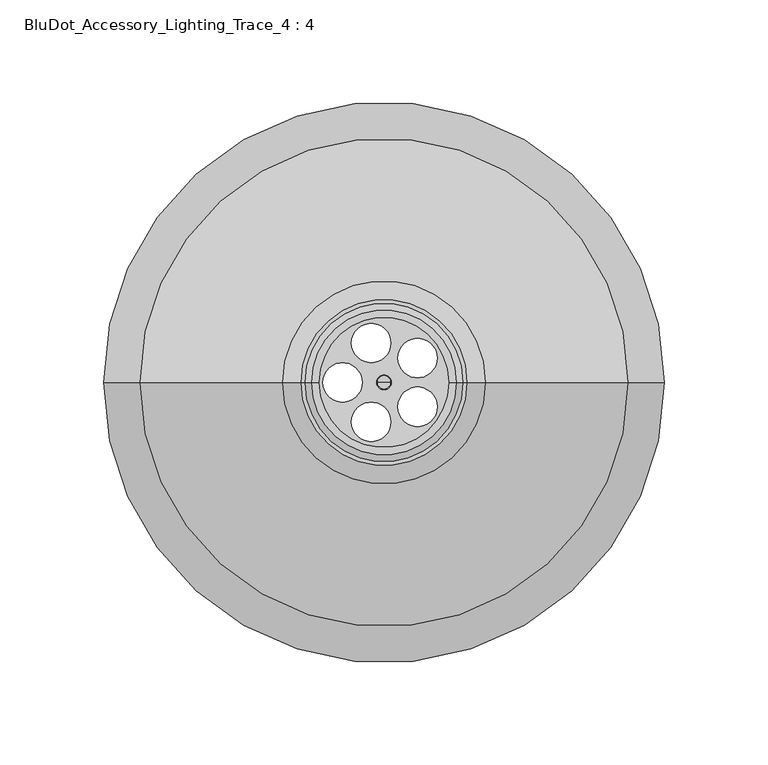
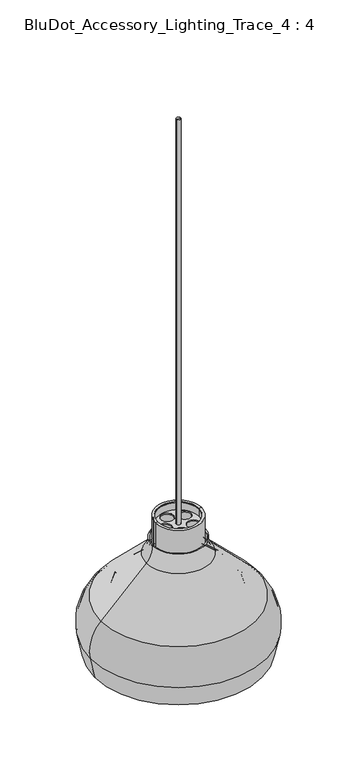
"""IFC4 building model written with IfcOpenShell, lengths in millimetres: furniture geometry, BluDot_Accessory_Lighting_Trace_4 : 4."""

from ifc_helpers import new_model, si_unit, point, frame, frame_2d, origin, origin_2d, place, context, project, spatial, polyline, circle_curve, ellipse_curve, trimmed, segment, composite_curve, outline, extrude, source, transform, mapped, element, save
from ifc_brep_helpers import plane_surface, cylinder_surface, revolved_surface, advanced_brep


def bludot_accessory_lighting_trace_4_4_143fc5d5(model_context):
    return source(origin(), model_context, "Body", "SolidModel", [
        advanced_brep(
        [(-31.4002507, 0.0, 1809.4303814), (31.4002507, 0.0, 1809.4303814), (33.1782507, 0.0, 1809.4303814), (-33.1782507, 0.0, 1809.4303814), (33.1782507, 0.0, 1765.1001314), (-33.1782507, 0.0, 1765.1001314), (43.8944549, 0.0, 1744.0842888), (-43.8944549, 0.0, 1744.0842888), (78.4986346, 0.0, 1711.8153678), (-78.4986346, 0.0, 1711.8153678), (88.0526367, 0.0, 1681.513957), (-88.0526367, 0.0, 1681.513957), (84.7150391, 0.0, 1665.8117749), (-84.7150391, 0.0, 1665.8117749), (82.8973177, 0.0, 1665.8117749), (-82.8973177, 0.0, 1665.8117749), (-31.4002507, 0.0, 1764.9922158), (31.4002507, 0.0, 1764.9922158), (-42.6818618, 0.0, 1742.7839419), (42.6818618, 0.0, 1742.7839419), (-77.2860415, 0.0, 1710.5150209), (77.2860415, 0.0, 1710.5150209), (-86.3134902, 0.0, 1681.8836235), (86.3134902, 0.0, 1681.8836235)],
        [
            (0, 1, circle_curve(frame((0.0, 0.0, 1809.4303814), z_axis=(0.0, 0.0, -1.0), x_axis=(1.0, 0.0, 0.0)), 31.4002507)),
            (1, 2),
            (2, 3, circle_curve(frame((0.0, 0.0, 1809.4303814), z_axis=(0.0, 0.0, 1.0), x_axis=(1.0, 0.0, 0.0)), 33.1782507)),
            (3, 0),
            (1, 0, circle_curve(frame((0.0, 0.0, 1809.4303814), z_axis=(0.0, 0.0, -1.0), x_axis=(1.0, 0.0, 0.0)), 31.4002507)),
            (3, 2, circle_curve(frame((0.0, 0.0, 1809.4303814), z_axis=(0.0, 0.0, 1.0), x_axis=(1.0, 0.0, 0.0)), 33.1782507)),
            (2, 4),
            (4, 5, circle_curve(frame((0.0, 0.0, 1765.1001314), z_axis=(0.0, 0.0, 1.0), x_axis=(1.0, 0.0, 0.0)), 33.1782507)),
            (5, 3),
            (5, 4, circle_curve(frame((0.0, 0.0, 1765.1001314), z_axis=(0.0, 0.0, 1.0), x_axis=(1.0, 0.0, 0.0)), 33.1782507)),
            (4, 6, circle_curve(frame((67.434128, 0.0, 1769.3274966), z_axis=(0.0, -1.0, 0.0), x_axis=(1.0, 0.0, 0.0)), 34.5157319)),
            (6, 7, circle_curve(frame((0.0, 0.0, 1744.0842888), z_axis=(0.0, 0.0, 1.0), x_axis=(1.0, 0.0, 0.0)), 43.8944549)),
            (7, 5, circle_curve(frame((-67.434128, 0.0, 1769.3274966), z_axis=(0.0, -1.0, 0.0), x_axis=(-1.0, 0.0, 0.0)), 34.5157319)),
            (7, 6, circle_curve(frame((0.0, 0.0, 1744.0842888), z_axis=(0.0, 0.0, 1.0), x_axis=(1.0, 0.0, 0.0)), 43.8944549)),
            (6, 8),
            (8, 9, circle_curve(frame((0.0, 0.0, 1711.8153678), z_axis=(0.0, 0.0, 1.0), x_axis=(1.0, 0.0, 0.0)), 78.4986346)),
            (9, 7),
            (9, 8, circle_curve(frame((0.0, 0.0, 1711.8153678), z_axis=(0.0, 0.0, 1.0), x_axis=(1.0, 0.0, 0.0)), 78.4986346)),
            (8, 10, circle_curve(frame((56.4968457, 0.0, 1688.2213388), z_axis=(0.0, 1.0, 0.0), x_axis=(1.0, 0.0, 0.0)), 32.2607643)),
            (10, 11, circle_curve(frame((0.0, 0.0, 1681.513957), z_axis=(0.0, 0.0, 1.0), x_axis=(1.0, 0.0, 0.0)), 88.0526367)),
            (11, 9, circle_curve(frame((-56.4968457, 0.0, 1688.2213388), z_axis=(0.0, 1.0, 0.0), x_axis=(-1.0, 0.0, 0.0)), 32.2607643)),
            (11, 10, circle_curve(frame((0.0, 0.0, 1681.513957), z_axis=(0.0, 0.0, 1.0), x_axis=(1.0, 0.0, 0.0)), 88.0526367)),
            (10, 12),
            (12, 13, circle_curve(frame((0.0, 0.0, 1665.8117749), z_axis=(0.0, 0.0, 1.0), x_axis=(1.0, 0.0, 0.0)), 84.7150391)),
            (13, 11),
            (13, 12, circle_curve(frame((0.0, 0.0, 1665.8117749), z_axis=(0.0, 0.0, 1.0), x_axis=(1.0, 0.0, 0.0)), 84.7150391)),
            (12, 14),
            (14, 15, circle_curve(frame((0.0, 0.0, 1665.8117749), z_axis=(0.0, 0.0, 1.0), x_axis=(1.0, 0.0, 0.0)), 82.8973177)),
            (15, 13),
            (15, 14, circle_curve(frame((0.0, 0.0, 1665.8117749), z_axis=(0.0, 0.0, 1.0), x_axis=(1.0, 0.0, 0.0)), 82.8973177)),
            (16, 17, circle_curve(frame((0.0, 0.0, 1764.9922158), z_axis=(0.0, 0.0, -1.0), x_axis=(1.0, 0.0, 0.0)), 31.4002507)),
            (17, 1),
            (0, 16),
            (17, 16, circle_curve(frame((0.0, 0.0, 1764.9922158), z_axis=(0.0, 0.0, -1.0), x_axis=(1.0, 0.0, 0.0)), 31.4002507)),
            (18, 19, circle_curve(frame((0.0, 0.0, 1742.7839419), z_axis=(0.0, 0.0, -1.0), x_axis=(1.0, 0.0, 0.0)), 42.6818618)),
            (19, 17, circle_curve(frame((67.434128, 0.0, 1769.3274966), z_axis=(0.0, 1.0, 0.0), x_axis=(1.0, 0.0, 0.0)), 36.2937319)),
            (16, 18, circle_curve(frame((-67.434128, 0.0, 1769.3274966), z_axis=(0.0, 1.0, 0.0), x_axis=(-1.0, 0.0, 0.0)), 36.2937319)),
            (19, 18, circle_curve(frame((0.0, 0.0, 1742.7839419), z_axis=(0.0, 0.0, -1.0), x_axis=(1.0, 0.0, 0.0)), 42.6818618)),
            (20, 21, circle_curve(frame((0.0, 0.0, 1710.5150209), z_axis=(0.0, 0.0, -1.0), x_axis=(1.0, 0.0, 0.0)), 77.2860415)),
            (21, 19),
            (18, 20),
            (21, 20, circle_curve(frame((0.0, 0.0, 1710.5150209), z_axis=(0.0, 0.0, -1.0), x_axis=(1.0, 0.0, 0.0)), 77.2860415)),
            (22, 23, circle_curve(frame((0.0, 0.0, 1681.8836235), z_axis=(0.0, 0.0, -1.0), x_axis=(1.0, 0.0, 0.0)), 86.3134902)),
            (23, 21, circle_curve(frame((56.4968457, 0.0, 1688.2213388), z_axis=(0.0, -1.0, 0.0), x_axis=(1.0, 0.0, 0.0)), 30.4827643)),
            (20, 22, circle_curve(frame((-56.4968457, 0.0, 1688.2213388), z_axis=(0.0, -1.0, 0.0), x_axis=(-1.0, 0.0, 0.0)), 30.4827643)),
            (23, 22, circle_curve(frame((0.0, 0.0, 1681.8836235), z_axis=(0.0, 0.0, -1.0), x_axis=(1.0, 0.0, 0.0)), 86.3134902)),
            (14, 23),
            (22, 15),
        ],
        [
            plane_surface(frame((0.0, 0.0, 1809.4303814), z_axis=(0.0, 0.0, 1.0), x_axis=(1.0, 0.0, 0.0))),
            cylinder_surface(frame((0.0, 0.0, 2363.3344632), z_axis=(0.0, 0.0, 1.0), x_axis=(1.0, 0.0, 0.0)), 33.1782507),
            revolved_surface(trimmed(ellipse_curve(frame((67.434128, 0.0, 1769.3274966), z_axis=(0.0, 1.0, 0.0), x_axis=(1.0, 0.0, 0.0)), 34.5157319, 34.5157319), [point((43.8944549, 0.0, 1744.0842888))], [point((33.1782507, 0.0, 1765.1001314))], True, "CARTESIAN"), (0.0, 0.0, 2363.3344632), (0.0, 0.0, 1.0)),
            revolved_surface(polyline([(78.4986346, 0.0, 1711.8153678), (43.8944549, 0.0, 1744.0842888)]), (0.0, 0.0, 2363.3344632), (0.0, 0.0, 1.0)),
            revolved_surface(trimmed(ellipse_curve(frame((56.4968457, 0.0, 1688.2213388), z_axis=(0.0, -1.0, 0.0), x_axis=(1.0, 0.0, 0.0)), 32.2607643, 32.2607643), [point((88.0526367, 0.0, 1681.513957))], [point((78.4986346, 0.0, 1711.8153678))], True, "CARTESIAN"), (0.0, 0.0, 2363.3344632), (0.0, 0.0, 1.0)),
            revolved_surface(polyline([(84.7150391, 0.0, 1665.8117749), (88.0526367, 0.0, 1681.513957)]), (0.0, 0.0, 2363.3344632), (0.0, 0.0, 1.0)),
            plane_surface(frame((0.0, 0.0, 1665.8117749), z_axis=(0.0, 0.0, -1.0), x_axis=(1.0, 0.0, 0.0))),
            revolved_surface(polyline([(31.4002507, 0.0, 1809.4303814), (31.4002507, 0.0, 1764.9922158)]), (0.0, 0.0, 2363.3344632), (0.0, 0.0, 1.0)),
            revolved_surface(trimmed(ellipse_curve(frame((67.434128, 0.0, 1769.3274966), z_axis=(0.0, -1.0, 0.0), x_axis=(1.0, 0.0, 0.0)), 36.2937319, 36.2937319), [point((31.4002507, 0.0, 1764.9922158))], [point((42.6818618, 0.0, 1742.7839419))], True, "CARTESIAN"), (0.0, 0.0, 2363.3344632), (0.0, 0.0, 1.0)),
            revolved_surface(polyline([(42.6818618, 0.0, 1742.7839419), (77.2860415, 0.0, 1710.5150209)]), (0.0, 0.0, 2363.3344632), (0.0, 0.0, 1.0)),
            revolved_surface(trimmed(ellipse_curve(frame((56.4968457, 0.0, 1688.2213388), z_axis=(0.0, 1.0, 0.0), x_axis=(1.0, 0.0, 0.0)), 30.4827643, 30.4827643), [point((77.2860415, 0.0, 1710.5150209))], [point((86.3134902, 0.0, 1681.8836235))], True, "CARTESIAN"), (0.0, 0.0, 2363.3344632), (0.0, 0.0, 1.0)),
            revolved_surface(polyline([(86.3134902, 0.0, 1681.8836235), (82.8973177, 0.0, 1665.8117749)]), (0.0, 0.0, 2363.3344632), (0.0, 0.0, 1.0)),
        ],
        [
            (0, [[1, 2, 3, 4]]),
            (0, [[5, -4, 6, -2]]),
            (1, [[-3, 7, 8, 9]]),
            (1, [[-6, -9, 10, -7]]),
            (2, [[-8, 11, 12, 13]]),
            (2, [[-10, -13, 14, -11]]),
            (3, [[-12, 15, 16, 17]]),
            (3, [[-14, -17, 18, -15]]),
            (4, [[-16, 19, 20, 21]]),
            (4, [[-18, -21, 22, -19]]),
            (5, [[-20, 23, 24, 25]]),
            (5, [[-22, -25, 26, -23]]),
            (6, [[-24, 27, 28, 29]]),
            (6, [[-26, -29, 30, -27]]),
            (7, [[31, 32, -1, 33]]),
            (7, [[34, -33, -5, -32]]),
            (8, [[35, 36, -31, 37]]),
            (8, [[38, -37, -34, -36]]),
            (9, [[39, 40, -35, 41]]),
            (9, [[42, -41, -38, -40]]),
            (10, [[43, 44, -39, 45]]),
            (10, [[46, -45, -42, -44]]),
            (11, [[-28, 47, -43, 48]]),
            (11, [[-30, -48, -46, -47]]),
        ],
    ),
        advanced_brep(
        [(-31.4002507, 0.0, 1811.2083814), (31.4002507, 0.0, 1811.2083814), (34.9562507, 0.0, 1811.2083814), (-34.9562507, 0.0, 1811.2083814), (34.9562507, 0.0, 1765.210875), (-34.9562507, 0.0, 1765.210875), (-31.4002507, 0.0, 1809.4303814), (31.4002507, 0.0, 1809.4303814), (-33.1782507, 0.0, 1809.4303814), (33.1782507, 0.0, 1809.4303814), (-33.1782507, 0.0, 1765.1001314), (33.1782507, 0.0, 1765.1001314), (-43.8944549, 0.0, 1744.0842888), (43.8944549, 0.0, 1744.0842888), (-78.4986346, 0.0, 1711.8153678), (78.4986346, 0.0, 1711.8153678), (-88.0526367, 0.0, 1681.513957), (88.0526367, 0.0, 1681.513957), (-84.7150391, 0.0, 1665.8117749), (84.7150391, 0.0, 1665.8117749), (-86.5327606, 0.0, 1665.8117749), (86.5327606, 0.0, 1665.8117749), (-89.7917832, 0.0, 1681.1442904), (89.7917832, 0.0, 1681.1442904), (-79.7112277, 0.0, 1713.1157146), (79.7112277, 0.0, 1713.1157146), (-45.107048, 0.0, 1745.3846356), (45.107048, 0.0, 1745.3846356)],
        [
            (0, 1, circle_curve(frame((0.0, 0.0, 1811.2083814), z_axis=(0.0, 0.0, -1.0), x_axis=(1.0, 0.0, 0.0)), 31.4002507)),
            (1, 2),
            (2, 3, circle_curve(frame((0.0, 0.0, 1811.2083814), z_axis=(0.0, 0.0, 1.0), x_axis=(1.0, 0.0, 0.0)), 34.9562507)),
            (3, 0),
            (1, 0, circle_curve(frame((0.0, 0.0, 1811.2083814), z_axis=(0.0, 0.0, -1.0), x_axis=(1.0, 0.0, 0.0)), 31.4002507)),
            (3, 2, circle_curve(frame((0.0, 0.0, 1811.2083814), z_axis=(0.0, 0.0, 1.0), x_axis=(1.0, 0.0, 0.0)), 34.9562507)),
            (2, 4),
            (4, 5, circle_curve(frame((0.0, 0.0, 1765.210875), z_axis=(0.0, 0.0, 1.0), x_axis=(1.0, 0.0, 0.0)), 34.9562507)),
            (5, 3),
            (5, 4, circle_curve(frame((0.0, 0.0, 1765.210875), z_axis=(0.0, 0.0, 1.0), x_axis=(1.0, 0.0, 0.0)), 34.9562507)),
            (6, 7, circle_curve(frame((0.0, 0.0, 1809.4303814), z_axis=(0.0, 0.0, -1.0), x_axis=(1.0, 0.0, 0.0)), 31.4002507)),
            (7, 1),
            (0, 6),
            (7, 6, circle_curve(frame((0.0, 0.0, 1809.4303814), z_axis=(0.0, 0.0, -1.0), x_axis=(1.0, 0.0, 0.0)), 31.4002507)),
            (8, 9, circle_curve(frame((0.0, 0.0, 1809.4303814), z_axis=(0.0, 0.0, -1.0), x_axis=(1.0, 0.0, 0.0)), 33.1782507)),
            (9, 7),
            (6, 8),
            (9, 8, circle_curve(frame((0.0, 0.0, 1809.4303814), z_axis=(0.0, 0.0, -1.0), x_axis=(1.0, 0.0, 0.0)), 33.1782507)),
            (10, 11, circle_curve(frame((0.0, 0.0, 1765.1001314), z_axis=(0.0, 0.0, -1.0), x_axis=(1.0, 0.0, 0.0)), 33.1782507)),
            (11, 9),
            (8, 10),
            (11, 10, circle_curve(frame((0.0, 0.0, 1765.1001314), z_axis=(0.0, 0.0, -1.0), x_axis=(1.0, 0.0, 0.0)), 33.1782507)),
            (12, 13, circle_curve(frame((0.0, 0.0, 1744.0842888), z_axis=(0.0, 0.0, -1.0), x_axis=(1.0, 0.0, 0.0)), 43.8944549)),
            (13, 11, circle_curve(frame((67.434128, 0.0, 1769.3274966), z_axis=(0.0, 1.0, 0.0), x_axis=(1.0, 0.0, 0.0)), 34.5157319)),
            (10, 12, circle_curve(frame((-67.434128, 0.0, 1769.3274966), z_axis=(0.0, 1.0, 0.0), x_axis=(-1.0, 0.0, 0.0)), 34.5157319)),
            (13, 12, circle_curve(frame((0.0, 0.0, 1744.0842888), z_axis=(0.0, 0.0, -1.0), x_axis=(1.0, 0.0, 0.0)), 43.8944549)),
            (14, 15, circle_curve(frame((0.0, 0.0, 1711.8153678), z_axis=(0.0, 0.0, -1.0), x_axis=(1.0, 0.0, 0.0)), 78.4986346)),
            (15, 13),
            (12, 14),
            (15, 14, circle_curve(frame((0.0, 0.0, 1711.8153678), z_axis=(0.0, 0.0, -1.0), x_axis=(1.0, 0.0, 0.0)), 78.4986346)),
            (16, 17, circle_curve(frame((0.0, 0.0, 1681.513957), z_axis=(0.0, 0.0, -1.0), x_axis=(1.0, 0.0, 0.0)), 88.0526367)),
            (17, 15, circle_curve(frame((56.4968457, 0.0, 1688.2213388), z_axis=(0.0, -1.0, 0.0), x_axis=(1.0, 0.0, 0.0)), 32.2607643)),
            (14, 16, circle_curve(frame((-56.4968457, 0.0, 1688.2213388), z_axis=(0.0, -1.0, 0.0), x_axis=(-1.0, 0.0, 0.0)), 32.2607643)),
            (17, 16, circle_curve(frame((0.0, 0.0, 1681.513957), z_axis=(0.0, 0.0, -1.0), x_axis=(1.0, 0.0, 0.0)), 88.0526367)),
            (18, 19, circle_curve(frame((0.0, 0.0, 1665.8117749), z_axis=(0.0, 0.0, -1.0), x_axis=(1.0, 0.0, 0.0)), 84.7150391)),
            (19, 17),
            (16, 18),
            (19, 18, circle_curve(frame((0.0, 0.0, 1665.8117749), z_axis=(0.0, 0.0, -1.0), x_axis=(1.0, 0.0, 0.0)), 84.7150391)),
            (20, 21, circle_curve(frame((0.0, 0.0, 1665.8117749), z_axis=(0.0, 0.0, -1.0), x_axis=(1.0, 0.0, 0.0)), 86.5327606)),
            (21, 19),
            (18, 20),
            (21, 20, circle_curve(frame((0.0, 0.0, 1665.8117749), z_axis=(0.0, 0.0, -1.0), x_axis=(1.0, 0.0, 0.0)), 86.5327606)),
            (22, 23, circle_curve(frame((0.0, 0.0, 1681.1442904), z_axis=(0.0, 0.0, -1.0), x_axis=(1.0, 0.0, 0.0)), 89.7917832)),
            (23, 21),
            (20, 22),
            (23, 22, circle_curve(frame((0.0, 0.0, 1681.1442904), z_axis=(0.0, 0.0, -1.0), x_axis=(1.0, 0.0, 0.0)), 89.7917832)),
            (24, 25, circle_curve(frame((0.0, 0.0, 1713.1157146), z_axis=(0.0, 0.0, -1.0), x_axis=(1.0, 0.0, 0.0)), 79.7112277)),
            (25, 23, circle_curve(frame((56.4968457, 0.0, 1688.2213388), z_axis=(0.0, 1.0, 0.0), x_axis=(1.0, 0.0, 0.0)), 34.0387643)),
            (22, 24, circle_curve(frame((-56.4968457, 0.0, 1688.2213388), z_axis=(0.0, 1.0, 0.0), x_axis=(-1.0, 0.0, 0.0)), 34.0387643)),
            (25, 24, circle_curve(frame((0.0, 0.0, 1713.1157146), z_axis=(0.0, 0.0, -1.0), x_axis=(1.0, 0.0, 0.0)), 79.7112277)),
            (26, 27, circle_curve(frame((0.0, 0.0, 1745.3846356), z_axis=(0.0, 0.0, -1.0), x_axis=(1.0, 0.0, 0.0)), 45.107048)),
            (27, 25),
            (24, 26),
            (27, 26, circle_curve(frame((0.0, 0.0, 1745.3846356), z_axis=(0.0, 0.0, -1.0), x_axis=(1.0, 0.0, 0.0)), 45.107048)),
            (4, 27, circle_curve(frame((67.434128, 0.0, 1769.3274966), z_axis=(0.0, -1.0, 0.0), x_axis=(1.0, 0.0, 0.0)), 32.7377319)),
            (26, 5, circle_curve(frame((-67.434128, 0.0, 1769.3274966), z_axis=(0.0, -1.0, 0.0), x_axis=(-1.0, 0.0, 0.0)), 32.7377319)),
        ],
        [
            plane_surface(frame((0.0, 0.0, 1811.2083814), z_axis=(0.0, 0.0, 1.0), x_axis=(1.0, 0.0, 0.0))),
            cylinder_surface(frame((0.0, 0.0, 2363.3344632), z_axis=(0.0, 0.0, 1.0), x_axis=(1.0, 0.0, 0.0)), 34.9562507),
            revolved_surface(polyline([(31.4002507, 0.0, 1811.2083814), (31.4002507, 0.0, 1809.4303814)]), (0.0, 0.0, 2363.3344632), (0.0, 0.0, 1.0)),
            plane_surface(frame((0.0, 0.0, 1809.4303814), z_axis=(0.0, 0.0, -1.0), x_axis=(1.0, 0.0, 0.0))),
            revolved_surface(polyline([(33.1782507, 0.0, 1809.4303814), (33.1782507, 0.0, 1765.1001314)]), (0.0, 0.0, 2363.3344632), (0.0, 0.0, 1.0)),
            revolved_surface(trimmed(ellipse_curve(frame((67.434128, 0.0, 1769.3274966), z_axis=(0.0, -1.0, 0.0), x_axis=(1.0, 0.0, 0.0)), 34.5157319, 34.5157319), [point((33.1782507, 0.0, 1765.1001314))], [point((43.8944549, 0.0, 1744.0842888))], True, "CARTESIAN"), (0.0, 0.0, 2363.3344632), (0.0, 0.0, 1.0)),
            revolved_surface(polyline([(43.8944549, 0.0, 1744.0842888), (78.4986346, 0.0, 1711.8153678)]), (0.0, 0.0, 2363.3344632), (0.0, 0.0, 1.0)),
            revolved_surface(trimmed(ellipse_curve(frame((56.4968457, 0.0, 1688.2213388), z_axis=(0.0, 1.0, 0.0), x_axis=(1.0, 0.0, 0.0)), 32.2607643, 32.2607643), [point((78.4986346, 0.0, 1711.8153678))], [point((88.0526367, 0.0, 1681.513957))], True, "CARTESIAN"), (0.0, 0.0, 2363.3344632), (0.0, 0.0, 1.0)),
            revolved_surface(polyline([(88.0526367, 0.0, 1681.513957), (84.7150391, 0.0, 1665.8117749)]), (0.0, 0.0, 2363.3344632), (0.0, 0.0, 1.0)),
            plane_surface(frame((0.0, 0.0, 1665.8117749), z_axis=(0.0, 0.0, -1.0), x_axis=(1.0, 0.0, 0.0))),
            revolved_surface(polyline([(86.5327606, 0.0, 1665.8117749), (89.7917832, 0.0, 1681.1442904)]), (0.0, 0.0, 2363.3344632), (0.0, 0.0, 1.0)),
            revolved_surface(trimmed(ellipse_curve(frame((56.4968457, 0.0, 1688.2213388), z_axis=(0.0, -1.0, 0.0), x_axis=(1.0, 0.0, 0.0)), 34.0387643, 34.0387643), [point((89.7917832, 0.0, 1681.1442904))], [point((79.7112277, 0.0, 1713.1157146))], True, "CARTESIAN"), (0.0, 0.0, 2363.3344632), (0.0, 0.0, 1.0)),
            revolved_surface(polyline([(79.7112277, 0.0, 1713.1157146), (45.107048, 0.0, 1745.3846356)]), (0.0, 0.0, 2363.3344632), (0.0, 0.0, 1.0)),
            revolved_surface(trimmed(ellipse_curve(frame((67.434128, 0.0, 1769.3274966), z_axis=(0.0, 1.0, 0.0), x_axis=(1.0, 0.0, 0.0)), 32.7377319, 32.7377319), [point((45.107048, 0.0, 1745.3846356))], [point((34.9562507, 0.0, 1765.210875))], True, "CARTESIAN"), (0.0, 0.0, 2363.3344632), (0.0, 0.0, 1.0)),
        ],
        [
            (0, [[1, 2, 3, 4]]),
            (0, [[5, -4, 6, -2]]),
            (1, [[-3, 7, 8, 9]]),
            (1, [[-6, -9, 10, -7]]),
            (2, [[11, 12, -1, 13]]),
            (2, [[14, -13, -5, -12]]),
            (3, [[15, 16, -11, 17]]),
            (3, [[18, -17, -14, -16]]),
            (4, [[19, 20, -15, 21]]),
            (4, [[22, -21, -18, -20]]),
            (5, [[23, 24, -19, 25]]),
            (5, [[26, -25, -22, -24]]),
            (6, [[27, 28, -23, 29]]),
            (6, [[30, -29, -26, -28]]),
            (7, [[31, 32, -27, 33]]),
            (7, [[34, -33, -30, -32]]),
            (8, [[35, 36, -31, 37]]),
            (8, [[38, -37, -34, -36]]),
            (9, [[39, 40, -35, 41]]),
            (9, [[42, -41, -38, -40]]),
            (10, [[43, 44, -39, 45]]),
            (10, [[46, -45, -42, -44]]),
            (11, [[47, 48, -43, 49]]),
            (11, [[50, -49, -46, -48]]),
            (12, [[51, 52, -47, 53]]),
            (12, [[54, -53, -50, -52]]),
            (13, [[-8, 55, -51, 56]]),
            (13, [[-10, -56, -54, -55]]),
        ],
    ),
        advanced_brep(
        [(-117.8587047, 0.0, 1682.7447877), (117.8587047, 0.0, 1682.7447877), (133.9158744, 0.0, 1628.5366935), (-133.9158744, 0.0, 1628.5366935), (-49.0774613, 0.0, 1751.5260311), (49.0774613, 0.0, 1751.5260311), (-39.9999924, 0.0, 1776.4441182), (39.9999924, 0.0, 1776.4441182), (-38.2156504, 0.0, 1776.4441182), (38.2156504, 0.0, 1776.4441182), (-47.8202255, 0.0, 1750.2687953), (47.8202255, 0.0, 1750.2687953), (-116.6014689, 0.0, 1681.4875519), (116.6014689, 0.0, 1681.4875519), (-132.1767279, 0.0, 1628.9063605), (132.1767279, 0.0, 1628.9063605), (-125.1822479, 0.0, 1595.9999158), (125.1822479, 0.0, 1595.9999158), (-126.9999695, 0.0, 1595.9999158), (126.9999695, 0.0, 1595.9999158)],
        [
            (0, 1, circle_curve(frame((0.0, 0.0, 1682.7447877), z_axis=(0.0, 0.0, -1.0), x_axis=(1.0, 0.0, 0.0)), 117.8587047)),
            (1, 2, circle_curve(frame((75.9678434, 0.0, 1640.8539265), z_axis=(0.0, 1.0, 0.0), x_axis=(1.0, 0.0, 0.0)), 59.2426242)),
            (2, 3, circle_curve(frame((0.0, 0.0, 1628.5366935), z_axis=(0.0, 0.0, 1.0), x_axis=(1.0, 0.0, 0.0)), 133.9158744)),
            (3, 0, circle_curve(frame((-75.9678434, 0.0, 1640.8539265), z_axis=(0.0, 1.0, 0.0), x_axis=(-1.0, 0.0, 0.0)), 59.2426242)),
            (1, 0, circle_curve(frame((0.0, 0.0, 1682.7447877), z_axis=(0.0, 0.0, -1.0), x_axis=(1.0, 0.0, 0.0)), 117.8587047)),
            (3, 2, circle_curve(frame((0.0, 0.0, 1628.5366935), z_axis=(0.0, 0.0, 1.0), x_axis=(1.0, 0.0, 0.0)), 133.9158744)),
            (4, 5, circle_curve(frame((0.0, 0.0, 1751.5260311), z_axis=(0.0, 0.0, -1.0), x_axis=(1.0, 0.0, 0.0)), 49.0774613)),
            (5, 1),
            (0, 4),
            (5, 4, circle_curve(frame((0.0, 0.0, 1751.5260311), z_axis=(0.0, 0.0, -1.0), x_axis=(1.0, 0.0, 0.0)), 49.0774613)),
            (6, 7, circle_curve(frame((0.0, 0.0, 1776.4441182), z_axis=(0.0, 0.0, -1.0), x_axis=(1.0, 0.0, 0.0)), 39.9999924)),
            (7, 5, circle_curve(frame((71.2770845, 0.0, 1773.7256543), z_axis=(0.0, -1.0, 0.0), x_axis=(1.0, 0.0, 0.0)), 31.3950082)),
            (4, 6, circle_curve(frame((-71.2770845, 0.0, 1773.7256543), z_axis=(0.0, -1.0, 0.0), x_axis=(-1.0, 0.0, 0.0)), 31.3950082)),
            (7, 6, circle_curve(frame((0.0, 0.0, 1776.4441182), z_axis=(0.0, 0.0, -1.0), x_axis=(1.0, 0.0, 0.0)), 39.9999924)),
            (8, 9, circle_curve(frame((0.0, 0.0, 1776.4441182), z_axis=(0.0, 0.0, -1.0), x_axis=(1.0, 0.0, 0.0)), 38.2156504)),
            (9, 7),
            (6, 8),
            (9, 8, circle_curve(frame((0.0, 0.0, 1776.4441182), z_axis=(0.0, 0.0, -1.0), x_axis=(1.0, 0.0, 0.0)), 38.2156504)),
            (10, 11, circle_curve(frame((0.0, 0.0, 1750.2687953), z_axis=(0.0, 0.0, -1.0), x_axis=(1.0, 0.0, 0.0)), 47.8202255)),
            (11, 9, circle_curve(frame((71.2770845, 0.0, 1773.7256543), z_axis=(0.0, 1.0, 0.0), x_axis=(1.0, 0.0, 0.0)), 33.1730082)),
            (8, 10, circle_curve(frame((-71.2770845, 0.0, 1773.7256543), z_axis=(0.0, 1.0, 0.0), x_axis=(-1.0, 0.0, 0.0)), 33.1730082)),
            (11, 10, circle_curve(frame((0.0, 0.0, 1750.2687953), z_axis=(0.0, 0.0, -1.0), x_axis=(1.0, 0.0, 0.0)), 47.8202255)),
            (12, 13, circle_curve(frame((0.0, 0.0, 1681.4875519), z_axis=(0.0, 0.0, -1.0), x_axis=(1.0, 0.0, 0.0)), 116.6014689)),
            (13, 11),
            (10, 12),
            (13, 12, circle_curve(frame((0.0, 0.0, 1681.4875519), z_axis=(0.0, 0.0, -1.0), x_axis=(1.0, 0.0, 0.0)), 116.6014689)),
            (14, 15, circle_curve(frame((0.0, 0.0, 1628.9063605), z_axis=(0.0, 0.0, -1.0), x_axis=(1.0, 0.0, 0.0)), 132.1767279)),
            (15, 13, circle_curve(frame((75.9678434, 0.0, 1640.8539265), z_axis=(0.0, -1.0, 0.0), x_axis=(1.0, 0.0, 0.0)), 57.4646242)),
            (12, 14, circle_curve(frame((-75.9678434, 0.0, 1640.8539265), z_axis=(0.0, -1.0, 0.0), x_axis=(-1.0, 0.0, 0.0)), 57.4646242)),
            (15, 14, circle_curve(frame((0.0, 0.0, 1628.9063605), z_axis=(0.0, 0.0, -1.0), x_axis=(1.0, 0.0, 0.0)), 132.1767279)),
            (16, 17, circle_curve(frame((0.0, 0.0, 1595.9999158), z_axis=(0.0, 0.0, -1.0), x_axis=(1.0, 0.0, 0.0)), 125.1822479)),
            (17, 15),
            (14, 16),
            (17, 16, circle_curve(frame((0.0, 0.0, 1595.9999158), z_axis=(0.0, 0.0, -1.0), x_axis=(1.0, 0.0, 0.0)), 125.1822479)),
            (18, 19, circle_curve(frame((0.0, 0.0, 1595.9999158), z_axis=(0.0, 0.0, -1.0), x_axis=(1.0, 0.0, 0.0)), 126.9999695)),
            (19, 17),
            (16, 18),
            (19, 18, circle_curve(frame((0.0, 0.0, 1595.9999158), z_axis=(0.0, 0.0, -1.0), x_axis=(1.0, 0.0, 0.0)), 126.9999695)),
            (2, 19),
            (18, 3),
        ],
        [
            revolved_surface(trimmed(ellipse_curve(frame((75.9678434, 0.0, 1640.8539265), z_axis=(0.0, -1.0, 0.0), x_axis=(1.0, 0.0, 0.0)), 59.2426242, 59.2426242), [point((133.9158744, 0.0, 1628.5366935))], [point((117.8587047, 0.0, 1682.7447877))], True, "CARTESIAN"), (0.0, 0.0, 1611.9178953), (0.0, 0.0, 1.0)),
            revolved_surface(polyline([(117.8587047, 0.0, 1682.7447877), (49.0774613, 0.0, 1751.5260311)]), (0.0, 0.0, 1611.9178953), (0.0, 0.0, 1.0)),
            revolved_surface(trimmed(ellipse_curve(frame((71.2770845, 0.0, 1773.7256543), z_axis=(0.0, 1.0, 0.0), x_axis=(1.0, 0.0, 0.0)), 31.3950082, 31.3950082), [point((49.0774613, 0.0, 1751.5260311))], [point((39.9999924, 0.0, 1776.4441182))], True, "CARTESIAN"), (0.0, 0.0, 1611.9178953), (0.0, 0.0, 1.0)),
            plane_surface(frame((0.0, 0.0, 1776.4441182), z_axis=(0.0, 0.0, 1.0), x_axis=(1.0, 0.0, 0.0))),
            revolved_surface(trimmed(ellipse_curve(frame((71.2770845, 0.0, 1773.7256543), z_axis=(0.0, -1.0, 0.0), x_axis=(1.0, 0.0, 0.0)), 33.1730082, 33.1730082), [point((38.2156504, 0.0, 1776.4441182))], [point((47.8202255, 0.0, 1750.2687953))], True, "CARTESIAN"), (0.0, 0.0, 1611.9178953), (0.0, 0.0, 1.0)),
            revolved_surface(polyline([(47.8202255, 0.0, 1750.2687953), (116.6014689, 0.0, 1681.4875519)]), (0.0, 0.0, 1611.9178953), (0.0, 0.0, 1.0)),
            revolved_surface(trimmed(ellipse_curve(frame((75.9678434, 0.0, 1640.8539265), z_axis=(0.0, 1.0, 0.0), x_axis=(1.0, 0.0, 0.0)), 57.4646242, 57.4646242), [point((116.6014689, 0.0, 1681.4875519))], [point((132.1767279, 0.0, 1628.9063605))], True, "CARTESIAN"), (0.0, 0.0, 1611.9178953), (0.0, 0.0, 1.0)),
            revolved_surface(polyline([(132.1767279, 0.0, 1628.9063605), (125.1822479, 0.0, 1595.9999158)]), (0.0, 0.0, 1611.9178953), (0.0, 0.0, 1.0)),
            plane_surface(frame((0.0, 0.0, 1595.9999158), z_axis=(0.0, 0.0, -1.0), x_axis=(1.0, 0.0, 0.0))),
            revolved_surface(polyline([(126.9999695, 0.0, 1595.9999158), (133.9158744, 0.0, 1628.5366935)]), (0.0, 0.0, 1611.9178953), (0.0, 0.0, 1.0)),
        ],
        [
            (0, [[1, 2, 3, 4]]),
            (0, [[5, -4, 6, -2]]),
            (1, [[7, 8, -1, 9]]),
            (1, [[10, -9, -5, -8]]),
            (2, [[11, 12, -7, 13]]),
            (2, [[14, -13, -10, -12]]),
            (3, [[15, 16, -11, 17]]),
            (3, [[18, -17, -14, -16]]),
            (4, [[19, 20, -15, 21]]),
            (4, [[22, -21, -18, -20]]),
            (5, [[23, 24, -19, 25]]),
            (5, [[26, -25, -22, -24]]),
            (6, [[27, 28, -23, 29]]),
            (6, [[30, -29, -26, -28]]),
            (7, [[31, 32, -27, 33]]),
            (7, [[34, -33, -30, -32]]),
            (8, [[35, 36, -31, 37]]),
            (8, [[38, -37, -34, -36]]),
            (9, [[-3, 39, -35, 40]]),
            (9, [[-6, -40, -38, -39]]),
        ],
    ),
        extrude(outline(composite_curve([segment(trimmed(circle_curve(origin_2d(), 33.1782507), [point((-33.1782507, 0.0))], [point((33.1782507, 0.0))], False, "CARTESIAN"), True, "CONTINUOUS"), segment(trimmed(circle_curve(origin_2d(), 33.1782507), [point((33.1782507, 0.0))], [point((-33.1782507, 0.0))], False, "CARTESIAN"), True, "CONTINUOUS")], self_intersect=False), holes=[composite_curve([segment(trimmed(circle_curve(origin_2d(), 3.5214063), [point((-3.5214063, 0.0))], [point((3.5214063, 0.0))], True, "CARTESIAN"), True, "CONTINUOUS"), segment(trimmed(circle_curve(origin_2d(), 3.5214063), [point((3.5214063, 0.0))], [point((-3.5214063, 0.0))], True, "CARTESIAN"), True, "CONTINUOUS")], self_intersect=False), composite_curve([segment(trimmed(circle_curve(frame_2d((-6.1803408, 19.0211273)), 9.4999985), [point((-15.6803393, 19.0211273))], [point((3.3196578, 19.0211273))], True, "CARTESIAN"), True, "CONTINUOUS"), segment(trimmed(circle_curve(frame_2d((-6.1803408, 19.0211273)), 9.4999985), [point((3.3196578, 19.0211273))], [point((-15.6803393, 19.0211273))], True, "CARTESIAN"), True, "CONTINUOUS")], self_intersect=False), composite_curve([segment(trimmed(circle_curve(frame_2d((-19.9999989, -3e-07)), 9.4999985), [point((-29.4999974, -3e-07))], [point((-10.5000003, -3e-07))], True, "CARTESIAN"), True, "CONTINUOUS"), segment(trimmed(circle_curve(frame_2d((-19.9999989, -3e-07)), 9.4999985), [point((-10.5000003, -3e-07))], [point((-29.4999974, -3e-07))], True, "CARTESIAN"), True, "CONTINUOUS")], self_intersect=False), composite_curve([segment(trimmed(circle_curve(frame_2d((-6.1803414, -19.021127)), 9.4999985), [point((-15.6803399, -19.021127))], [point((3.3196572, -19.021127))], True, "CARTESIAN"), True, "CONTINUOUS"), segment(trimmed(circle_curve(frame_2d((-6.1803414, -19.021127)), 9.4999985), [point((3.3196572, -19.021127))], [point((-15.6803399, -19.021127))], True, "CARTESIAN"), True, "CONTINUOUS")], self_intersect=False), composite_curve([segment(trimmed(circle_curve(frame_2d((16.1803358, -11.7557026)), 9.4999985), [point((6.6803373, -11.7557026))], [point((25.6803343, -11.7557026))], True, "CARTESIAN"), True, "CONTINUOUS"), segment(trimmed(circle_curve(frame_2d((16.1803358, -11.7557026)), 9.4999985), [point((25.6803343, -11.7557026))], [point((6.6803373, -11.7557026))], True, "CARTESIAN"), True, "CONTINUOUS")], self_intersect=False), composite_curve([segment(trimmed(circle_curve(frame_2d((16.1803358, 11.7557039)), 9.4999985), [point((6.6803373, 11.7557039))], [point((25.6803343, 11.7557039))], True, "CARTESIAN"), True, "CONTINUOUS"), segment(trimmed(circle_curve(frame_2d((16.1803358, 11.7557039)), 9.4999985), [point((25.6803343, 11.7557039))], [point((6.6803373, 11.7557039))], True, "CARTESIAN"), True, "CONTINUOUS")], self_intersect=False)]), frame((0.0, 0.0, 1796.7083833), z_axis=(0.0, 0.0, 1.0), x_axis=(1.0, 0.0, 0.0)), (0.0, 0.0, 1.0), 1.5001689),
        advanced_brep(
        [(0.0, 0.0, 2446.2083814), (3.173458, 0.0, 2446.2083814), (-3.173458, 0.0, 2446.2083814), (-3.173458, 0.0, 1786.1874137), (3.173458, 0.0, 1786.1874137), (0.0, 0.0, 1786.1874137)],
        [
            (0, 1),
            (1, 2, circle_curve(frame((0.0, 0.0, 2446.2083814), z_axis=(0.0, 0.0, 1.0), x_axis=(1.0, 0.0, 0.0)), 3.173458)),
            (2, 0),
            (2, 1, circle_curve(frame((0.0, 0.0, 2446.2083814), z_axis=(0.0, 0.0, 1.0), x_axis=(1.0, 0.0, 0.0)), 3.173458)),
            (3, 4, circle_curve(frame((0.0, 0.0, 1786.1874137), z_axis=(0.0, 0.0, -1.0), x_axis=(1.0, 0.0, 0.0)), 3.173458)),
            (4, 5),
            (5, 3),
            (4, 3, circle_curve(frame((0.0, 0.0, 1786.1874137), z_axis=(0.0, 0.0, -1.0), x_axis=(1.0, 0.0, 0.0)), 3.173458)),
            (1, 4),
            (3, 2),
        ],
        [
            plane_surface(frame((0.0, 0.0, 2446.2083814), z_axis=(0.0, 0.0, 1.0), x_axis=(1.0, 0.0, 0.0))),
            plane_surface(frame((0.0, 0.0, 1786.1874137), z_axis=(0.0, 0.0, -1.0), x_axis=(1.0, 0.0, 0.0))),
            cylinder_surface(frame((0.0, 0.0, 1933.480164), z_axis=(0.0, 0.0, 1.0), x_axis=(1.0, 0.0, 0.0)), 3.173458),
        ],
        [
            (0, [[1, 2, 3]]),
            (0, [[-3, 4, -1]]),
            (1, [[5, 6, 7]]),
            (1, [[8, -7, -6]]),
            (2, [[-2, 9, -5, 10]]),
            (2, [[-4, -10, -8, -9]]),
        ],
    ),
    ])


if __name__ == "__main__":
    model = new_model("IFC4")
    model_context = context("Model", 3, world=origin())
    ifc_project = project(units=[si_unit("LENGTHUNIT", "METRE", prefix="MILLI")], contexts=[model_context])
    site = spatial("IfcSite", under=ifc_project)
    building = spatial("IfcBuilding", under=site)
    placement = place(None, origin())
    bludot_accessory_lighting_trace_4_4_shape = bludot_accessory_lighting_trace_4_4_143fc5d5(model_context)
    element("IfcFurniture", 1, ObjectType="BluDot_Accessory_Lighting_Trace_4 : 4", at=placement, inside=building, context=model_context, shape_type="MappedRepresentation", body=[
        mapped(bludot_accessory_lighting_trace_4_4_shape, transform((0.0, 0.0, 0.0), x_axis=(1.0, 0.0, 0.0), y_axis=(0.0, 1.0, 0.0), z_axis=(0.0, 0.0, 1.0))),
    ])
    save(model, "model.ifc")
